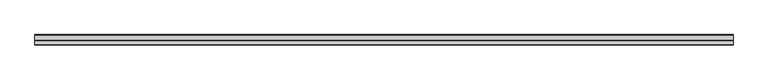
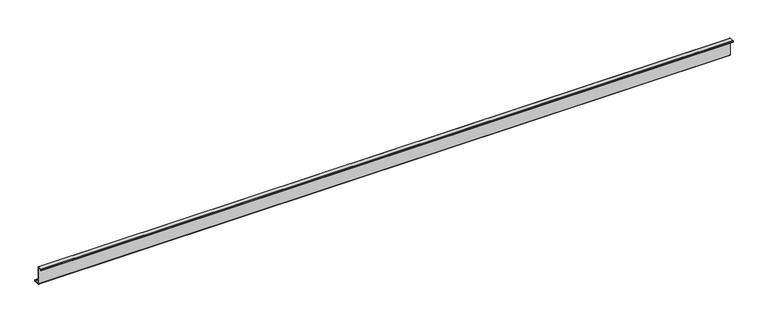
"""IFC4 building model written with IfcOpenShell, lengths in millimetres: member geometry."""

from ifc_helpers import new_model, si_unit, point, frame, frame_2d, origin, place, context, project, spatial, polyline, circle_curve, trimmed, segment, composite_curve, outline, extrude, source, transform, mapped, element, save


def member_ade2776f(model_context):
    return source(origin(), model_context, "Body", "SweptSolid", [
        extrude(outline(composite_curve([segment(polyline([(0.0, -123.5), (0.0, 123.5)]), True, "CONTINUOUS"), segment(trimmed(circle_curve(frame_2d((-2.0, 123.5)), 2.0), [point((0.0, 123.5))], [point((-2.0, 125.5))], True, "CARTESIAN"), True, "CONTINUOUS"), segment(polyline([(-2.0, 125.5), (-63.5, 125.5)]), True, "CONTINUOUS"), segment(trimmed(circle_curve(frame_2d((-63.5, 123.5)), 2.0), [point((-63.5, 125.5))], [point((-65.5, 123.5))], True, "CARTESIAN"), True, "CONTINUOUS"), segment(polyline([(-65.5, 123.5), (-65.5, 107.0), (-67.0, 107.0), (-67.0, 123.5)]), True, "CONTINUOUS"), segment(trimmed(circle_curve(frame_2d((-63.5, 123.5)), 3.5), [point((-67.0, 123.5))], [point((-63.5, 127.0))], False, "CARTESIAN"), True, "CONTINUOUS"), segment(polyline([(-63.5, 127.0), (-2.0, 127.0)]), True, "CONTINUOUS"), segment(trimmed(circle_curve(frame_2d((-2.0, 123.5)), 3.5), [point((-2.0, 127.0))], [point((1.5, 123.5))], False, "CARTESIAN"), True, "CONTINUOUS"), segment(polyline([(1.5, 123.5), (1.5, -123.5)]), True, "CONTINUOUS"), segment(trimmed(circle_curve(frame_2d((3.5, -123.5)), 2.0), [point((1.5, -123.5))], [point((3.5, -125.5))], True, "CARTESIAN"), True, "CONTINUOUS"), segment(polyline([(3.5, -125.5), (75.0, -125.5)]), True, "CONTINUOUS"), segment(trimmed(circle_curve(frame_2d((75.0, -123.5)), 2.0), [point((75.0, -125.5))], [point((77.0, -123.5))], True, "CARTESIAN"), True, "CONTINUOUS"), segment(polyline([(77.0, -123.5), (77.0, -107.5), (78.5, -107.5), (78.5, -123.5)]), True, "CONTINUOUS"), segment(trimmed(circle_curve(frame_2d((75.0, -123.5)), 3.5), [point((78.5, -123.5))], [point((75.0, -127.0))], False, "CARTESIAN"), True, "CONTINUOUS"), segment(polyline([(75.0, -127.0), (3.5, -127.0)]), True, "CONTINUOUS"), segment(trimmed(circle_curve(frame_2d((3.5, -123.5)), 3.5), [point((3.5, -127.0))], [point((0.0, -123.5))], False, "CARTESIAN"), True, "CONTINUOUS")], self_intersect=False)), frame((-4422.0, 0.0, 0.0), z_axis=(1.0, 0.0, 0.0), x_axis=(0.0, 1.0, 0.0)), (0.0, 0.0, 1.0), 9594.0),
    ])


if __name__ == "__main__":
    model = new_model("IFC4")
    model_context = context("Model", 3, world=origin())
    ifc_project = project(units=[si_unit("LENGTHUNIT", "METRE", prefix="MILLI")], contexts=[model_context])
    site = spatial("IfcSite", under=ifc_project)
    building = spatial("IfcBuilding", under=site)
    placement = place(None, origin())
    member_shape = member_ade2776f(model_context)
    element("IfcMember", 1, at=placement, inside=building, context=model_context, shape_type="MappedRepresentation", body=[
        mapped(member_shape, transform((0.0, 0.0, 0.0), x_axis=(1.0, 0.0, 0.0), y_axis=(0.0, 1.0, 0.0), z_axis=(0.0, 0.0, 1.0))),
    ])
    save(model, "model.ifc")
